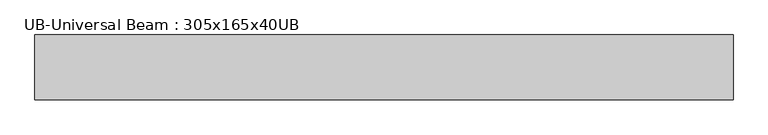
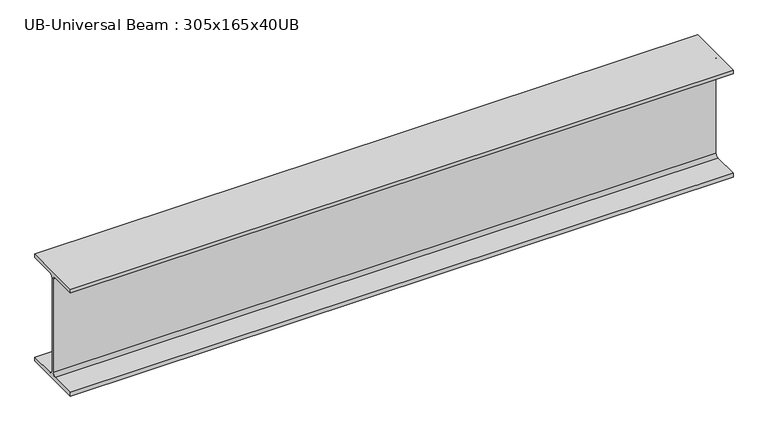
"""IFC4 building model written with IfcOpenShell, lengths in millimetres: beam geometry, UB-Universal Beam : 305x165x40UB."""

from ifc_helpers import new_model, si_unit, point, frame, frame_2d, origin, place, context, project, spatial, polyline, circle_curve, trimmed, segment, composite_curve, outline, extrude, source, transform, mapped, element, save


def ub_universal_beam_305x165x40ub_afa41532(model_context):
    return source(origin(), model_context, "Body", "SweptSolid", [
        extrude(outline(composite_curve([segment(polyline([(82.5, -141.5), (82.5, -151.7), (-82.5, -151.7), (-82.5, -141.5), (-11.9, -141.5)]), True, "CONTINUOUS"), segment(trimmed(circle_curve(frame_2d((-11.9, -132.6)), 8.9), [point((-11.9, -141.5))], [point((-3.0, -132.6))], True, "CARTESIAN"), True, "CONTINUOUS"), segment(polyline([(-3.0, -132.6), (-3.0, 132.6)]), True, "CONTINUOUS"), segment(trimmed(circle_curve(frame_2d((-11.9, 132.6)), 8.9), [point((-3.0, 132.6))], [point((-11.9, 141.5))], True, "CARTESIAN"), True, "CONTINUOUS"), segment(polyline([(-11.9, 141.5), (-82.5, 141.5), (-82.5, 151.7), (82.5, 151.7), (82.5, 141.5), (11.9, 141.5)]), True, "CONTINUOUS"), segment(trimmed(circle_curve(frame_2d((11.9, 132.6)), 8.9), [point((11.9, 141.5))], [point((3.0, 132.6))], True, "CARTESIAN"), True, "CONTINUOUS"), segment(polyline([(3.0, 132.6), (3.0, -132.6)]), True, "CONTINUOUS"), segment(trimmed(circle_curve(frame_2d((11.9, -132.6)), 8.9), [point((3.0, -132.6))], [point((11.9, -141.5))], True, "CARTESIAN"), True, "CONTINUOUS"), segment(polyline([(11.9, -141.5), (82.5, -141.5)]), True, "CONTINUOUS")], self_intersect=False)), frame((-1026.2748407, 0.0, 0.0), z_axis=(1.0, 0.0, 0.0), x_axis=(0.0, 1.0, 0.0)), (0.0, 0.0, 1.0), 1778.9273687),
    ])


if __name__ == "__main__":
    model = new_model("IFC4")
    model_context = context("Model", 3, world=origin())
    ifc_project = project(units=[si_unit("LENGTHUNIT", "METRE", prefix="MILLI")], contexts=[model_context])
    site = spatial("IfcSite", under=ifc_project)
    building = spatial("IfcBuilding", under=site)
    placement = place(None, origin())
    ub_universal_beam_305x165x40ub_shape = ub_universal_beam_305x165x40ub_afa41532(model_context)
    element("IfcBeam", 1, ObjectType="UB-Universal Beam : 305x165x40UB", at=placement, inside=building, context=model_context, shape_type="MappedRepresentation", body=[
        mapped(ub_universal_beam_305x165x40ub_shape, transform((0.0, 0.0, 0.0), x_axis=(1.0, 0.0, 0.0), y_axis=(0.0, 1.0, 0.0), z_axis=(0.0, 0.0, 1.0))),
    ])
    save(model, "model.ifc")
